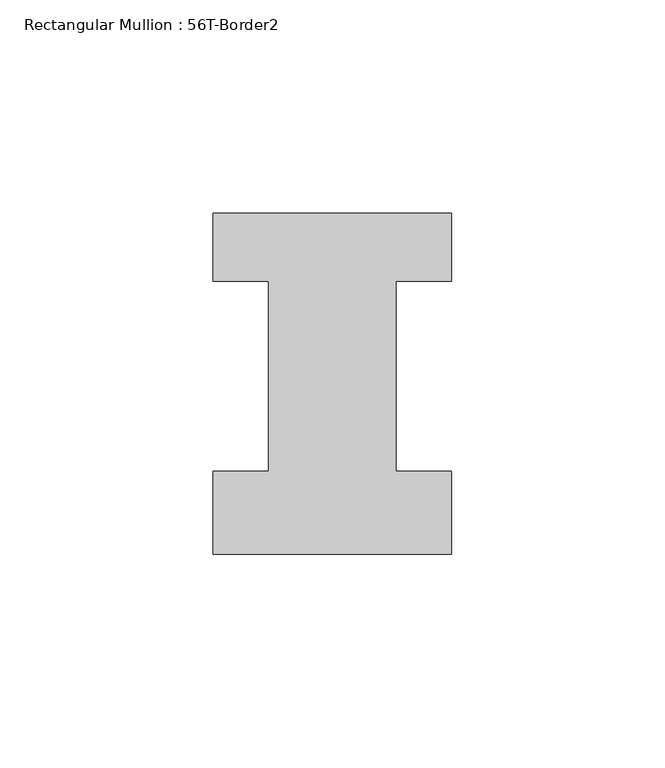
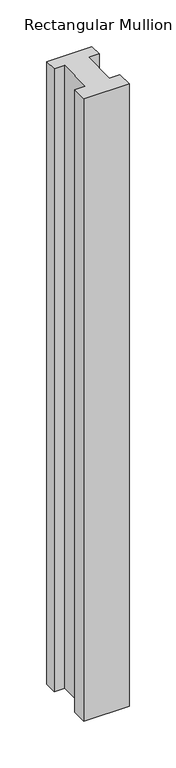
"""IFC4 building model written with IfcOpenShell, lengths in millimetres: member geometry, Rectangular Mullion : 56T-Border2."""

from ifc_helpers import new_model, si_unit, frame, origin, place, context, project, spatial, polyline, outline, extrude, source, transform, mapped, element, save


def rectangular_mullion_56t_border2_5b603f88(model_context):
    return source(origin(), model_context, "Body", "SweptSolid", [
        extrude(outline(polyline([(0.0, -20.0), (-56.0, -20.0), (-56.0, -0.5), (-43.0, -0.5), (-43.0, 44.0), (-56.0, 44.0), (-56.0, 60.0), (0.0, 60.0), (0.0, 44.0), (-13.0, 44.0), (-13.0, -0.5), (0.0, -0.5), (0.0, -20.0)])), frame((0.0, 0.0, -816.0), z_axis=(0.0, 0.0, 1.0), x_axis=(1.0, 0.0, 0.0)), (0.0, 0.0, 1.0), 816.0),
    ])


if __name__ == "__main__":
    model = new_model("IFC4")
    model_context = context("Model", 3, world=origin())
    ifc_project = project(units=[si_unit("LENGTHUNIT", "METRE", prefix="MILLI")], contexts=[model_context])
    site = spatial("IfcSite", under=ifc_project)
    building = spatial("IfcBuilding", under=site)
    placement = place(None, origin())
    rectangular_mullion_56t_border2_shape = rectangular_mullion_56t_border2_5b603f88(model_context)
    element("IfcMember", 1, ObjectType="Rectangular Mullion : 56T-Border2", at=placement, inside=building, context=model_context, shape_type="MappedRepresentation", body=[
        mapped(rectangular_mullion_56t_border2_shape, transform((0.0, 0.0, 0.0), x_axis=(1.0, 0.0, 0.0), y_axis=(0.0, 1.0, 0.0), z_axis=(0.0, 0.0, 1.0))),
    ])
    save(model, "model.ifc")
